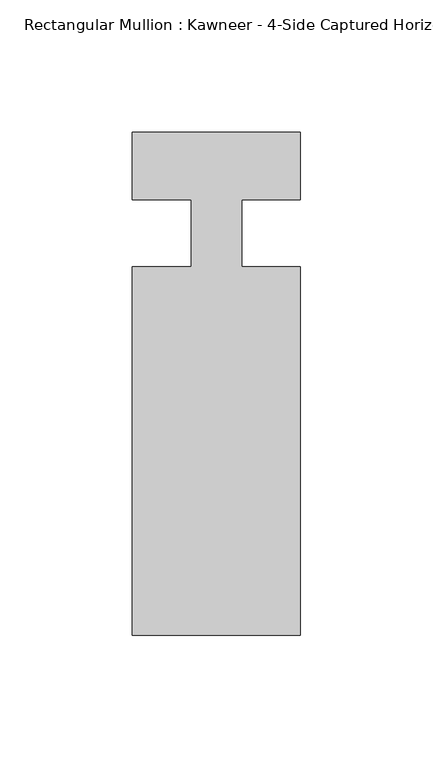
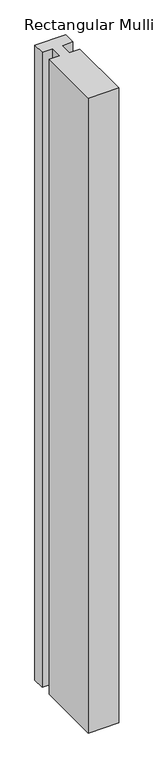
"""IFC4 building model written with IfcOpenShell, lengths in millimetres: member geometry."""

from ifc_helpers import new_model, si_unit, frame, origin, place, context, project, spatial, polyline, outline, extrude, source, transform, mapped, element, save


def member_b846396c(model_context):
    return source(origin(), model_context, "Body", "SweptSolid", [
        extrude(outline(polyline([(-9.525, 12.7), (-31.75, 12.7), (-31.75, 38.1), (31.75, 38.1), (31.75, 12.7), (9.5251132, 12.7), (9.5251132, -12.7), (31.75, -12.7), (31.75, -151.892), (-31.75, -151.892), (-31.75, -12.7), (-9.525, -12.7), (-9.525, 12.7)])), frame((0.0, 0.0, -1383.1651679), z_axis=(0.0, 0.0, 1.0), x_axis=(1.0, 0.0, 0.0)), (0.0, 0.0, 1.0), 1383.1651679),
    ])


if __name__ == "__main__":
    model = new_model("IFC4")
    model_context = context("Model", 3, world=origin())
    ifc_project = project(units=[si_unit("LENGTHUNIT", "METRE", prefix="MILLI")], contexts=[model_context])
    site = spatial("IfcSite", under=ifc_project)
    building = spatial("IfcBuilding", under=site)
    placement = place(None, origin())
    member_shape = member_b846396c(model_context)
    element("IfcMember", 1, ObjectType="Rectangular Mullion : Kawneer - 4-Side Captured Horizontal Mullion - 7 1/2\"", at=placement, inside=building, context=model_context, shape_type="MappedRepresentation", body=[
        mapped(member_shape, transform((0.0, 0.0, 0.0), x_axis=(1.0, 0.0, 0.0), y_axis=(0.0, 1.0, 0.0), z_axis=(0.0, 0.0, 1.0))),
    ])
    save(model, "model.ifc")
